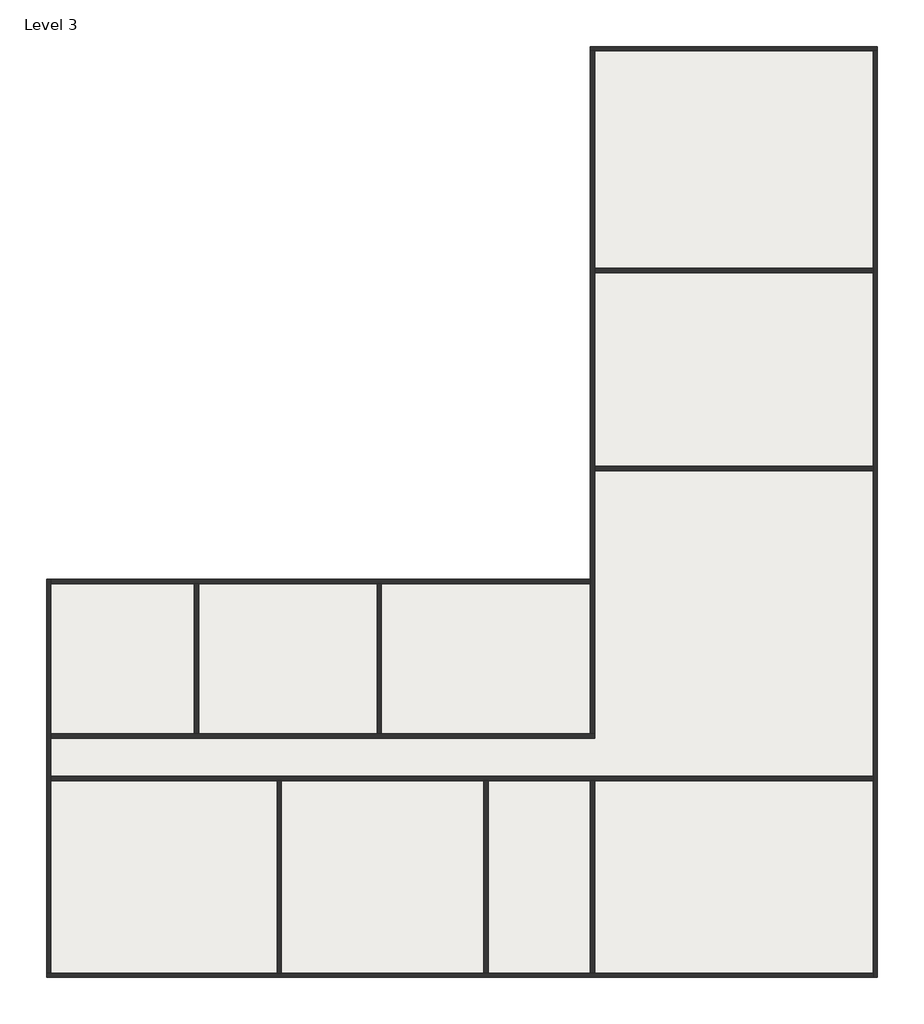
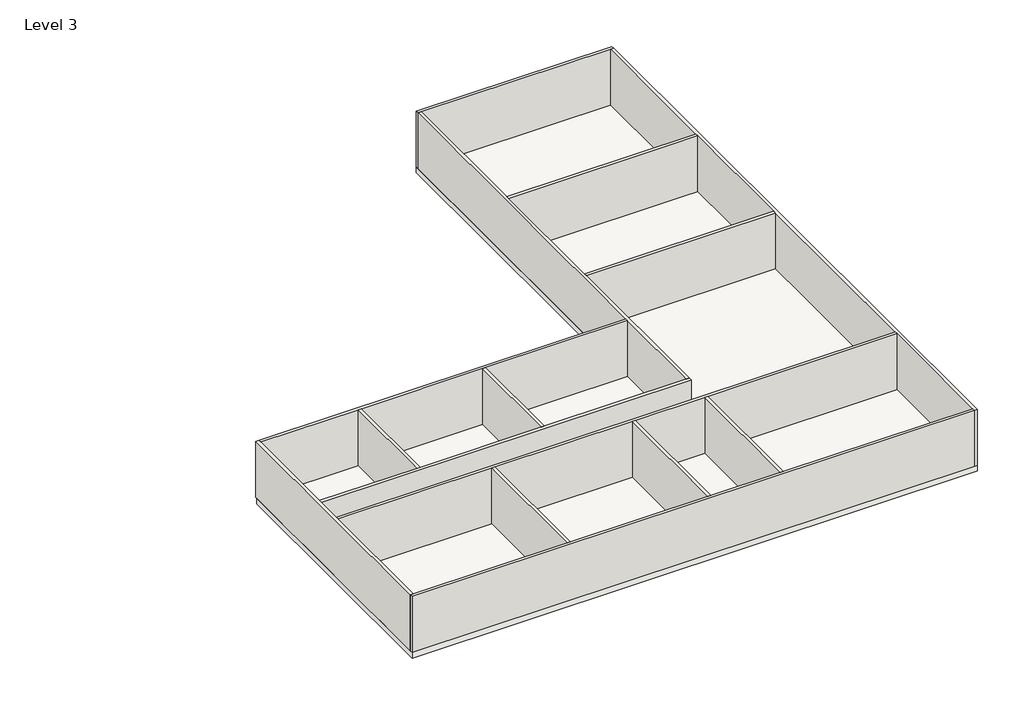
# One storey: 15 walls, 1 slab.
"""IFC4 building model written with IfcOpenShell, lengths in millimetres."""

from ifc_helpers import new_model, si_unit, frame, origin, place, context, project, spatial, polyline, outline, extrude, faceted_brep, element, save

model = new_model("IFC4")

# Units and contexts
model_context = context("Model", 3, world=origin())
ifc_project = project(units=[si_unit("LENGTHUNIT", "METRE", prefix="MILLI")], contexts=[model_context])

# Site, building, storey
site = spatial("IfcSite", under=ifc_project)
building = spatial("IfcBuilding", under=site)
storey = spatial("IfcBuildingStorey", under=building, Name="Level 3", Elevation=8000.0)

# Slab
placement = place(None, origin())
element("IfcSlab", 1, ObjectType="Generic Floor - 400mm", at=placement, inside=storey, context=model_context, shape_type="SweptSolid", body=[
    extrude(outline(polyline([(6351.4723255, 12966.261327), (6351.4723255, 37566.261327), (19551.4723255, 37566.261327), (19551.4723255, -5233.738673), (-18648.5276745, -5233.738673), (-18648.5276745, 12966.261327), (6351.4723255, 12966.261327)])), frame((0.0, 0.0, 7600.0), z_axis=(0.0, 0.0, 1.0), x_axis=(1.0, 0.0, 0.0)), (0.0, 0.0, 1.0), 400.0),
])

# Walls
element("IfcWall", 2, ObjectType="Generic - 200mm", at=placement, inside=storey, context=model_context, shape_type="Brep", body=[
    faceted_brep([(6351.4723255, 37366.261327, 8000.0), (6551.4723255, 37366.261327, 8000.0), (19351.4723255, 37366.261327, 8000.0), (19551.4723255, 37366.261327, 8000.0), (19551.4723255, 37366.261327, 12000.0), (19351.4723255, 37366.261327, 12000.0), (6551.4723255, 37366.261327, 12000.0), (6351.4723255, 37366.261327, 12000.0), (6351.4723255, 37566.261327, 8000.0), (6351.4723255, 37566.261327, 12000.0), (19551.4723255, 37566.261327, 12000.0), (19551.4723255, 37566.261327, 8000.0)], [[[0, 1, 2, 3, 4, 5, 6, 7]], [[8, 9, 10, 11]], [[3, 2, 1, 0, 8, 11]], [[7, 6, 5, 4, 10, 9]], [[4, 3, 11, 10]], [[0, 7, 9, 8]]]),
])
element("IfcWall", 3, ObjectType="Generic - 200mm", at=placement, inside=storey, context=model_context, shape_type="Brep", body=[
    faceted_brep([(19351.4723255, 37366.261327, 8000.0), (19351.4723255, 27366.261327, 8000.0), (19351.4723255, 27166.261327, 8000.0), (19351.4723255, 18266.261327, 8000.0), (19351.4723255, 18066.261327, 8000.0), (19351.4723255, 4016.261327, 8000.0), (19351.4723255, 3816.261327, 8000.0), (19351.4723255, -5033.738673, 8000.0), (19351.4723255, -5233.738673, 8000.0), (19351.4723255, -5233.738673, 12000.0), (19351.4723255, -5033.738673, 12000.0), (19351.4723255, 3816.261327, 12000.0), (19351.4723255, 4016.261327, 12000.0), (19351.4723255, 18066.261327, 12000.0), (19351.4723255, 18266.261327, 12000.0), (19351.4723255, 27166.261327, 12000.0), (19351.4723255, 27366.261327, 12000.0), (19351.4723255, 37366.261327, 12000.0), (19551.4723255, 37366.261327, 8000.0), (19551.4723255, 37366.261327, 12000.0), (19551.4723255, -5233.738673, 12000.0), (19551.4723255, -5233.738673, 8000.0)], [[[0, 1, 2, 3, 4, 5, 6, 7, 8, 9, 10, 11, 12, 13, 14, 15, 16, 17]], [[18, 19, 20, 21]], [[8, 7, 6, 5, 4, 3, 2, 1, 0, 18, 21]], [[17, 16, 15, 14, 13, 12, 11, 10, 9, 20, 19]], [[0, 17, 19, 18]], [[9, 8, 21, 20]]]),
])
element("IfcWall", 4, ObjectType="Generic - 200mm", at=placement, inside=storey, context=model_context, shape_type="Brep", body=[
    faceted_brep([(19351.4723255, -5033.738673, 8000.0), (6551.4723255, -5033.738673, 8000.0), (6351.4723255, -5033.738673, 8000.0), (1651.4723255, -5033.738673, 8000.0), (1451.4723255, -5033.738673, 8000.0), (-7848.5276745, -5033.738673, 8000.0), (-8048.5276745, -5033.738673, 8000.0), (-18448.5276745, -5033.738673, 8000.0), (-18648.5276745, -5033.738673, 8000.0), (-18648.5276745, -5033.738673, 12000.0), (-18448.5276745, -5033.738673, 12000.0), (-8048.5276745, -5033.738673, 12000.0), (-7848.5276745, -5033.738673, 12000.0), (1451.4723255, -5033.738673, 12000.0), (1651.4723255, -5033.738673, 12000.0), (6351.4723255, -5033.738673, 12000.0), (6551.4723255, -5033.738673, 12000.0), (19351.4723255, -5033.738673, 12000.0), (19351.4723255, -5233.738673, 8000.0), (19351.4723255, -5233.738673, 12000.0), (-18648.5276745, -5233.738673, 12000.0), (-18648.5276745, -5233.738673, 8000.0)], [[[0, 1, 2, 3, 4, 5, 6, 7, 8, 9, 10, 11, 12, 13, 14, 15, 16, 17]], [[18, 19, 20, 21]], [[8, 7, 6, 5, 4, 3, 2, 1, 0, 18, 21]], [[17, 16, 15, 14, 13, 12, 11, 10, 9, 20, 19]], [[0, 17, 19, 18]], [[9, 8, 21, 20]]]),
])
element("IfcWall", 5, ObjectType="Generic - 200mm", at=placement, inside=storey, context=model_context, shape_type="Brep", body=[
    faceted_brep([(-18448.5276745, -5033.738673, 8000.0), (-18448.5276745, 3816.261327, 8000.0), (-18448.5276745, 4016.261327, 8000.0), (-18448.5276745, 5766.261327, 8000.0), (-18448.5276745, 5966.261327, 8000.0), (-18448.5276745, 12866.261327, 8000.0), (-18448.5276745, 13066.261327, 8000.0), (-18448.5276745, 13066.261327, 12000.0), (-18448.5276745, 12866.261327, 12000.0), (-18448.5276745, 5966.261327, 12000.0), (-18448.5276745, 5766.261327, 12000.0), (-18448.5276745, 4016.261327, 12000.0), (-18448.5276745, 3816.261327, 12000.0), (-18448.5276745, -5033.738673, 12000.0), (-18648.5276745, -5033.738673, 8000.0), (-18648.5276745, -5033.738673, 12000.0), (-18648.5276745, 13066.261327, 12000.0), (-18648.5276745, 13066.261327, 8000.0)], [[[0, 1, 2, 3, 4, 5, 6, 7, 8, 9, 10, 11, 12, 13]], [[14, 15, 16, 17]], [[6, 5, 4, 3, 2, 1, 0, 14, 17]], [[13, 12, 11, 10, 9, 8, 7, 16, 15]], [[0, 13, 15, 14]], [[7, 6, 17, 16]]]),
])
element("IfcWall", 6, ObjectType="Generic - 200mm", at=placement, inside=storey, context=model_context, shape_type="Brep", body=[
    faceted_brep([(-18448.5276745, 12866.261327, 8000.0), (-11848.5276745, 12866.261327, 8000.0), (-11648.5276745, 12866.261327, 8000.0), (-3448.5276745, 12866.261327, 8000.0), (-3248.5276745, 12866.261327, 8000.0), (6351.4723255, 12866.261327, 8000.0), (6351.4723255, 12866.261327, 12000.0), (-3248.5276745, 12866.261327, 12000.0), (-3448.5276745, 12866.261327, 12000.0), (-11648.5276745, 12866.261327, 12000.0), (-11848.5276745, 12866.261327, 12000.0), (-18448.5276745, 12866.261327, 12000.0), (-18448.5276745, 13066.261327, 8000.0), (-18448.5276745, 13066.261327, 12000.0), (6351.4723255, 13066.261327, 12000.0), (6351.4723255, 13066.261327, 8000.0)], [[[0, 1, 2, 3, 4, 5, 6, 7, 8, 9, 10, 11]], [[12, 13, 14, 15]], [[5, 4, 3, 2, 1, 0, 12, 15]], [[11, 10, 9, 8, 7, 6, 14, 13]], [[0, 11, 13, 12]], [[6, 5, 15, 14]]]),
])
element("IfcWall", 7, ObjectType="Generic - 200mm", at=placement, inside=storey, context=model_context, shape_type="SweptSolid", body=[
    extrude(outline(polyline([(6551.4723255, 3816.261327), (6551.4723255, -5033.738673), (6351.4723255, -5033.738673), (6351.4723255, 3816.261327), (6551.4723255, 3816.261327)])), frame((0.0, 0.0, 8000.0), z_axis=(0.0, 0.0, 1.0), x_axis=(1.0, 0.0, 0.0)), (0.0, 0.0, 1.0), 4000.0),
])
element("IfcWall", 8, ObjectType="Generic - 200mm", at=placement, inside=storey, context=model_context, shape_type="SweptSolid", body=[
    extrude(outline(polyline([(19351.4723255, 27166.261327), (6551.4723255, 27166.261327), (6551.4723255, 27366.261327), (19351.4723255, 27366.261327), (19351.4723255, 27166.261327)])), frame((0.0, 0.0, 8000.0), z_axis=(0.0, 0.0, 1.0), x_axis=(1.0, 0.0, 0.0)), (0.0, 0.0, 1.0), 4000.0),
])
element("IfcWall", 9, ObjectType="Generic - 200mm", at=placement, inside=storey, context=model_context, shape_type="SweptSolid", body=[
    extrude(outline(polyline([(19351.4723255, 18066.261327), (6551.4723255, 18066.261327), (6551.4723255, 18266.261327), (19351.4723255, 18266.261327), (19351.4723255, 18066.261327)])), frame((0.0, 0.0, 8000.0), z_axis=(0.0, 0.0, 1.0), x_axis=(1.0, 0.0, 0.0)), (0.0, 0.0, 1.0), 4000.0),
])
element("IfcWall", 10, ObjectType="Generic - 200mm", at=placement, inside=storey, context=model_context, shape_type="Brep", body=[
    faceted_brep([(-18448.5276745, 5766.261327, 8000.0), (6551.4723255, 5766.261327, 8000.0), (6551.4723255, 5766.261327, 12000.0), (-18448.5276745, 5766.261327, 12000.0), (-18448.5276745, 5966.261327, 8000.0), (-18448.5276745, 5966.261327, 12000.0), (-11848.5276745, 5966.261327, 12000.0), (-11648.5276745, 5966.261327, 12000.0), (-3448.5276745, 5966.261327, 12000.0), (-3248.5276745, 5966.261327, 12000.0), (6351.4723255, 5966.261327, 12000.0), (6551.4723255, 5966.261327, 12000.0), (6551.4723255, 5966.261327, 8000.0), (6351.4723255, 5966.261327, 8000.0), (-3248.5276745, 5966.261327, 8000.0), (-3448.5276745, 5966.261327, 8000.0), (-11648.5276745, 5966.261327, 8000.0), (-11848.5276745, 5966.261327, 8000.0)], [[[0, 1, 2, 3]], [[4, 5, 6, 7, 8, 9, 10, 11, 12, 13, 14, 15, 16, 17]], [[1, 0, 4, 17, 16, 15, 14, 13, 12]], [[3, 2, 11, 10, 9, 8, 7, 6, 5]], [[0, 3, 5, 4]], [[2, 1, 12, 11]]]),
])
element("IfcWall", 11, ObjectType="Generic - 200mm", at=placement, inside=storey, context=model_context, shape_type="Brep", body=[
    faceted_brep([(-18448.5276745, 3816.261327, 8000.0), (-8048.5276745, 3816.261327, 8000.0), (-7848.5276745, 3816.261327, 8000.0), (1451.4723255, 3816.261327, 8000.0), (1651.4723255, 3816.261327, 8000.0), (6351.4723255, 3816.261327, 8000.0), (6551.4723255, 3816.261327, 8000.0), (19351.4723255, 3816.261327, 8000.0), (19351.4723255, 3816.261327, 12000.0), (6551.4723255, 3816.261327, 12000.0), (6351.4723255, 3816.261327, 12000.0), (1651.4723255, 3816.261327, 12000.0), (1451.4723255, 3816.261327, 12000.0), (-7848.5276745, 3816.261327, 12000.0), (-8048.5276745, 3816.261327, 12000.0), (-18448.5276745, 3816.261327, 12000.0), (-18448.5276745, 4016.261327, 8000.0), (-18448.5276745, 4016.261327, 12000.0), (19351.4723255, 4016.261327, 12000.0), (19351.4723255, 4016.261327, 8000.0)], [[[0, 1, 2, 3, 4, 5, 6, 7, 8, 9, 10, 11, 12, 13, 14, 15]], [[16, 17, 18, 19]], [[7, 6, 5, 4, 3, 2, 1, 0, 16, 19]], [[15, 14, 13, 12, 11, 10, 9, 8, 18, 17]], [[0, 15, 17, 16]], [[8, 7, 19, 18]]]),
])
element("IfcWall", 12, ObjectType="Generic - 200mm", at=placement, inside=storey, context=model_context, shape_type="Brep", body=[
    faceted_brep([(6551.4723255, 5966.261327, 8000.0), (6551.4723255, 18066.261327, 8000.0), (6551.4723255, 18266.261327, 8000.0), (6551.4723255, 27166.261327, 8000.0), (6551.4723255, 27366.261327, 8000.0), (6551.4723255, 37366.261327, 8000.0), (6551.4723255, 37366.261327, 12000.0), (6551.4723255, 27366.261327, 12000.0), (6551.4723255, 27166.261327, 12000.0), (6551.4723255, 18266.261327, 12000.0), (6551.4723255, 18066.261327, 12000.0), (6551.4723255, 5966.261327, 12000.0), (6351.4723255, 5966.261327, 8000.0), (6351.4723255, 5966.261327, 12000.0), (6351.4723255, 12866.261327, 12000.0), (6351.4723255, 13066.261327, 12000.0), (6351.4723255, 37366.261327, 12000.0), (6351.4723255, 37366.261327, 8000.0), (6351.4723255, 13066.261327, 8000.0), (6351.4723255, 12866.261327, 8000.0)], [[[0, 1, 2, 3, 4, 5, 6, 7, 8, 9, 10, 11]], [[12, 13, 14, 15, 16, 17, 18, 19]], [[5, 4, 3, 2, 1, 0, 12, 19, 18, 17]], [[11, 10, 9, 8, 7, 6, 16, 15, 14, 13]], [[6, 5, 17, 16]], [[0, 11, 13, 12]]]),
])
element("IfcWall", 13, ObjectType="Generic - 200mm", at=placement, inside=storey, context=model_context, shape_type="SweptSolid", body=[
    extrude(outline(polyline([(-11848.5276745, 5966.261327), (-11848.5276745, 12866.261327), (-11648.5276745, 12866.261327), (-11648.5276745, 5966.261327), (-11848.5276745, 5966.261327)])), frame((0.0, 0.0, 8000.0), z_axis=(0.0, 0.0, 1.0), x_axis=(1.0, 0.0, 0.0)), (0.0, 0.0, 1.0), 4000.0),
])
element("IfcWall", 14, ObjectType="Generic - 200mm", at=placement, inside=storey, context=model_context, shape_type="SweptSolid", body=[
    extrude(outline(polyline([(-3448.5276745, 5966.261327), (-3448.5276745, 12866.261327), (-3248.5276745, 12866.261327), (-3248.5276745, 5966.261327), (-3448.5276745, 5966.261327)])), frame((0.0, 0.0, 8000.0), z_axis=(0.0, 0.0, 1.0), x_axis=(1.0, 0.0, 0.0)), (0.0, 0.0, 1.0), 4000.0),
])
element("IfcWall", 15, ObjectType="Generic - 200mm", at=placement, inside=storey, context=model_context, shape_type="SweptSolid", body=[
    extrude(outline(polyline([(-8048.5276745, -5033.738673), (-8048.5276745, 3816.261327), (-7848.5276745, 3816.261327), (-7848.5276745, -5033.738673), (-8048.5276745, -5033.738673)])), frame((0.0, 0.0, 8000.0), z_axis=(0.0, 0.0, 1.0), x_axis=(1.0, 0.0, 0.0)), (0.0, 0.0, 1.0), 4000.0),
])
element("IfcWall", 16, ObjectType="Generic - 200mm", at=placement, inside=storey, context=model_context, shape_type="SweptSolid", body=[
    extrude(outline(polyline([(1451.4723255, -5033.738673), (1451.4723255, 3816.261327), (1651.4723255, 3816.261327), (1651.4723255, -5033.738673), (1451.4723255, -5033.738673)])), frame((0.0, 0.0, 8000.0), z_axis=(0.0, 0.0, 1.0), x_axis=(1.0, 0.0, 0.0)), (0.0, 0.0, 1.0), 4000.0),
])

save(model, "model.ifc")
